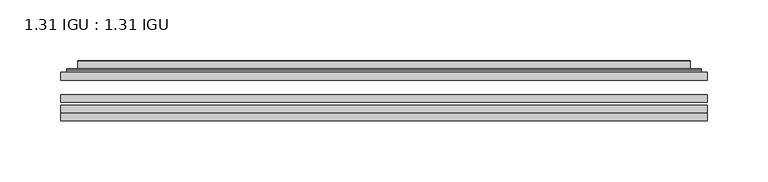
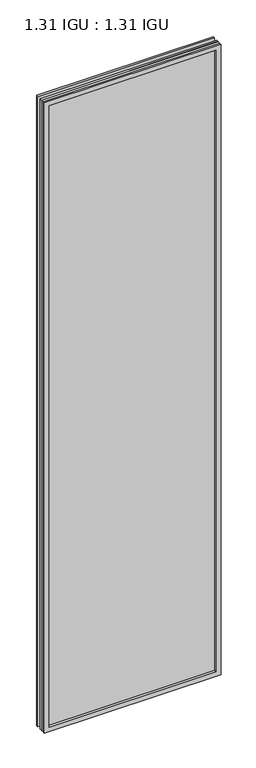
"""IFC4 building model written with IfcOpenShell, lengths in millimetres: plate geometry, 1.31 IGU : 1.31 IGU."""

from ifc_helpers import new_model, si_unit, frame, origin, place, context, project, spatial, polyline, ellipse_curve, outline, extrude, faceted_brep, source, transform, mapped, element, save
from ifc_brep_helpers import plane_surface, cylinder_surface, advanced_brep


def plate_1_31_igu_1_31_igu_39c43275(model_context):
    return source(origin(), model_context, "Body", "SolidModel", [
        extrude(outline(polyline([(266.714175, -63.59525), (266.714175, -69.94525), (-266.7, -69.94525), (-266.7, -63.59525), (266.714175, -63.59525)])), frame((0.0, 0.0, -14.2875), z_axis=(0.0, 0.0, 1.0), x_axis=(1.0, 0.0, 0.0)), (0.0, 0.0, 1.0), 2009.8015278),
        extrude(outline(polyline([(-266.7, -78.58125), (-266.7, -72.230745), (266.714175, -72.230745), (266.714175, -78.58125), (-266.7, -78.58125)])), frame((0.0, 0.0, -14.2875), z_axis=(0.0, 0.0, 1.0), x_axis=(1.0, 0.0, 0.0)), (0.0, 0.0, 1.0), 2009.8015278),
        extrude(outline(polyline([(266.714175, -45.25645), (266.714175, -51.60645), (-266.7, -51.60645), (-266.7, -45.25645), (266.714175, -45.25645)])), frame((0.0, 0.0, -14.2875), z_axis=(0.0, 0.0, 1.0), x_axis=(1.0, 0.0, 0.0)), (0.0, 0.0, 1.0), 2009.8015278),
        faceted_brep([(-266.7127, -84.93125, 1995.5229299), (-266.7127, -78.58125, 1995.5229299), (-266.7127, -78.58125, -14.3002), (-266.7127, -84.93125, -14.3002), (266.7127, -78.58125, -14.3002), (266.7127, -84.93125, -14.3002), (266.7127, -78.58125, 1995.5229299), (266.7127, -84.93125, 1995.5229299), (-251.5147559, -78.58125, 0.8977441), (251.5147559, -78.58125, 0.8977441), (251.5147559, -78.58125, 1980.3249858), (-251.5147559, -78.58125, 1980.3249858), (-252.4071902, -84.93125, 1981.2174201), (252.4071902, -84.93125, 1981.2174201), (252.4071902, -84.93125, 0.0053098), (-252.4071902, -84.93125, 0.0053098)], [[[0, 1, 2, 3]], [[3, 2, 4, 5]], [[5, 4, 6, 7]], [[1, 6, 4, 2], [8, 9, 10, 11]], [[7, 6, 1, 0]], [[3, 5, 7, 0], [12, 13, 14, 15]], [[11, 12, 15, 8]], [[8, 15, 14, 9]], [[9, 14, 13, 10]], [[10, 13, 12, 11]]]),
        advanced_brep(
        [(-259.458719, -45.25645, 1988.2689489), (-261.8129244, -43.2667833, 1990.6231543), (-261.8129244, -43.2667833, -9.4004244), (-259.458719, -45.25645, -7.046219), (-250.3843939, -41.416413, 1979.1946238), (-245.4495621, -45.25645, 1974.2597919), (-245.4495621, -45.25645, 6.9629379), (-250.3843939, -41.416413, 2.0281061), (-251.4164217, -36.0191819, 1980.2266515), (-251.4164217, -36.0191819, 0.9960783), (-252.4070784, -35.6202069, 1981.2173083), (-252.4070784, -35.6202069, 0.0054216), (-252.4070784, -42.08145, 1981.2173083), (-252.4070784, -42.08145, 0.0054216), (-260.8111349, -42.08145, 1989.6213648), (-260.8111349, -42.08145, -8.3986349), (261.8129244, -43.2667833, -9.4004244), (259.458719, -45.25645, -7.046219), (245.4495621, -45.25645, 6.9629379), (250.3843939, -41.416413, 2.0281061), (251.4164217, -36.0191819, 0.9960783), (252.4070784, -35.6202069, 0.0054216), (252.4070784, -42.08145, 0.0054216), (260.8111349, -42.08145, -8.3986349), (261.8129244, -43.2667833, 1990.6231543), (259.458719, -45.25645, 1988.2689489), (245.4495621, -45.25645, 1974.2597919), (250.3843939, -41.416413, 1979.1946238), (251.4164217, -36.0191819, 1980.2266515), (252.4070784, -35.6202069, 1981.2173083), (252.4070784, -42.08145, 1981.2173083), (260.8111349, -42.08145, 1989.6213648)],
        [
            (0, 1, ellipse_curve(frame((-259.458719, -42.86885, 1988.2689489), z_axis=(-0.7071067811865475, 0.0, -0.7071067811865475), x_axis=(-0.7071067811865474, 0.0, 0.7071067811865476)), 3.3765763, 2.3876)),
            (1, 2),
            (2, 3, ellipse_curve(frame((-259.458719, -42.86885, -7.046219), z_axis=(-0.7071067811865475, 0.0, 0.7071067811865475), x_axis=(0.7071067811865474, 0.0, 0.7071067811865476)), 3.3765763, 2.3876)),
            (3, 0),
            (4, 5),
            (5, 6),
            (6, 7),
            (7, 4),
            (8, 4),
            (7, 9),
            (9, 8),
            (10, 8, ellipse_curve(frame((-252.0401219, -36.1384423, 1980.8503517), z_axis=(-0.7071067811865475, 0.0, -0.7071067811865475), x_axis=(-0.7071067811865474, 0.0, 0.7071067811865476)), 0.8980256, 0.635)),
            (9, 11, ellipse_curve(frame((-252.0401219, -36.1384423, 0.3723781), z_axis=(-0.7071067811865475, 0.0, 0.7071067811865475), x_axis=(0.7071067811865474, 0.0, 0.7071067811865476)), 0.8980256, 0.635)),
            (11, 10),
            (12, 10),
            (11, 13),
            (13, 12),
            (1, 14, ellipse_curve(frame((-260.8111349, -43.09745, 1989.6213648), z_axis=(-0.7071067811865475, 0.0, -0.7071067811865475), x_axis=(-0.7071067811865474, 0.0, 0.7071067811865476)), 1.436841, 1.016)),
            (14, 15),
            (15, 2, ellipse_curve(frame((-260.8111349, -43.09745, -8.3986349), z_axis=(-0.7071067811865475, 0.0, 0.7071067811865475), x_axis=(0.7071067811865474, 0.0, 0.7071067811865476)), 1.436841, 1.016)),
            (2, 16),
            (16, 17, ellipse_curve(frame((259.458719, -42.86885, -7.046219), z_axis=(-0.7071067811865475, 0.0, -0.7071067811865475), x_axis=(-0.7071067811865476, 0.0, 0.7071067811865474)), 3.3765763, 2.3876)),
            (17, 3),
            (6, 18),
            (18, 19),
            (19, 7),
            (19, 20),
            (20, 9),
            (20, 21, ellipse_curve(frame((252.0401219, -36.1384423, 0.3723781), z_axis=(-0.7071067811865475, 0.0, -0.7071067811865475), x_axis=(-0.7071067811865476, 0.0, 0.7071067811865474)), 0.8980256, 0.635)),
            (21, 11),
            (21, 22),
            (22, 13),
            (15, 23),
            (23, 16, ellipse_curve(frame((260.8111349, -43.09745, -8.3986349), z_axis=(-0.7071067811865475, 0.0, -0.7071067811865475), x_axis=(-0.7071067811865476, 0.0, 0.7071067811865474)), 1.436841, 1.016)),
            (16, 24),
            (24, 25, ellipse_curve(frame((259.458719, -42.86885, 1988.2689489), z_axis=(0.7071067811865475, 0.0, -0.7071067811865475), x_axis=(-0.7071067811865474, 0.0, -0.7071067811865476)), 3.3765763, 2.3876)),
            (25, 17),
            (18, 26),
            (26, 27),
            (27, 19),
            (27, 28),
            (28, 20),
            (28, 29, ellipse_curve(frame((252.0401219, -36.1384423, 1980.8503517), z_axis=(0.7071067811865475, 0.0, -0.7071067811865475), x_axis=(-0.7071067811865474, 0.0, -0.7071067811865476)), 0.8980256, 0.635)),
            (29, 21),
            (29, 30),
            (30, 22),
            (23, 31),
            (31, 24, ellipse_curve(frame((260.8111349, -43.09745, 1989.6213648), z_axis=(0.7071067811865475, 0.0, -0.7071067811865475), x_axis=(-0.7071067811865474, 0.0, -0.7071067811865476)), 1.436841, 1.016)),
            (24, 1),
            (0, 25),
            (5, 26),
            (4, 27),
            (8, 28),
            (10, 29),
            (12, 30),
            (14, 31),
        ],
        [
            cylinder_surface(frame((-259.458719, -42.86885, 2012.9727299), z_axis=(0.0, 0.0, 1.0), x_axis=(-1.0, 0.0, 0.0)), 2.3876),
            plane_surface(frame((-245.4495621, -45.25645, 1974.2597919), z_axis=(0.6141233906514794, 0.7892100234124821, 0.0), x_axis=(0.0, 0.0, -1.0))),
            plane_surface(frame((-250.3843939, -41.416413, 1979.1946238), z_axis=(0.9822050625507729, 0.18781164793386076, 0.0), x_axis=(0.0, 0.0, -1.0))),
            cylinder_surface(frame((-252.0401219, -36.1384423, 2012.9727299), z_axis=(0.0, 0.0, 1.0), x_axis=(-1.0, 0.0, 0.0)), 0.635),
            plane_surface(frame((-252.4070784, -35.6202069, 1981.2173083), z_axis=(-1.0, 0.0, 0.0), x_axis=(0.0, 0.0, -1.0))),
            cylinder_surface(frame((-260.8111349, -43.09745, 2012.9727299), z_axis=(0.0, 0.0, 1.0), x_axis=(-1.0, 0.0, 0.0)), 1.016),
            cylinder_surface(frame((-284.1625, -42.86885, -7.046219), z_axis=(-1.0, 0.0, 0.0), x_axis=(0.0, 0.0, -1.0)), 2.3876),
            plane_surface(frame((-245.4495621, -45.25645, 6.9629379), z_axis=(0.0, 0.7892100234124841, 0.6141233906514768), x_axis=(1.0, 0.0, 0.0))),
            plane_surface(frame((-250.3843939, -41.416413, 2.0281061), z_axis=(0.0, 0.18781164793386393, 0.9822050625507723), x_axis=(1.0, 0.0, 0.0))),
            cylinder_surface(frame((-284.1625, -36.1384423, 0.3723781), z_axis=(-1.0, 0.0, 0.0), x_axis=(0.0, 0.0, -1.0)), 0.635),
            plane_surface(frame((-252.4070784, -35.6202069, 0.0054216), z_axis=(0.0, 0.0, -1.0), x_axis=(1.0, 0.0, 0.0))),
            cylinder_surface(frame((-284.1625, -43.09745, -8.3986349), z_axis=(-1.0, 0.0, 0.0), x_axis=(0.0, 0.0, -1.0)), 1.016),
            cylinder_surface(frame((259.458719, -42.86885, -31.75), z_axis=(0.0, 0.0, -1.0), x_axis=(1.0, 0.0, 0.0)), 2.3876),
            plane_surface(frame((245.4495621, -45.25645, 6.9629379), z_axis=(-0.6141233906514743, 0.7892100234124861, 0.0), x_axis=(0.0, 0.0, 1.0))),
            plane_surface(frame((250.3843939, -41.416413, 2.0281061), z_axis=(-0.9822050625507718, 0.1878116479338671, 0.0), x_axis=(0.0, 0.0, 1.0))),
            cylinder_surface(frame((252.0401219, -36.1384423, -31.75), z_axis=(0.0, 0.0, -1.0), x_axis=(1.0, 0.0, 0.0)), 0.635),
            plane_surface(frame((252.4070784, -35.6202069, 0.0054216), z_axis=(1.0, 0.0, 0.0), x_axis=(0.0, 0.0, 1.0))),
            cylinder_surface(frame((260.8111349, -43.09745, -31.75), z_axis=(0.0, 0.0, -1.0), x_axis=(1.0, 0.0, 0.0)), 1.016),
            cylinder_surface(frame((284.1625, -42.86885, 1988.2689489), z_axis=(1.0, 0.0, 0.0), x_axis=(0.0, 0.0, 1.0)), 2.3876),
            plane_surface(frame((259.458719, -45.25645, 1988.2689489), z_axis=(0.0, -1.0, 0.0), x_axis=(-1.0, 0.0, 0.0))),
            plane_surface(frame((245.4495621, -45.25645, 1974.2597919), z_axis=(0.0, 0.7892100234124841, -0.6141233906514768), x_axis=(-1.0, 0.0, 0.0))),
            plane_surface(frame((250.3843939, -41.416413, 1979.1946238), z_axis=(0.0, 0.18781164793386393, -0.9822050625507723), x_axis=(-1.0, 0.0, 0.0))),
            cylinder_surface(frame((284.1625, -36.1384423, 1980.8503517), z_axis=(1.0, 0.0, 0.0), x_axis=(0.0, 0.0, 1.0)), 0.635),
            plane_surface(frame((252.4070784, -35.6202069, 1981.2173083), z_axis=(0.0, 0.0, 1.0), x_axis=(-1.0, 0.0, 0.0))),
            plane_surface(frame((252.4070784, -42.08145, 1981.2173083), z_axis=(0.0, 1.0, 0.0), x_axis=(-1.0, 0.0, 0.0))),
            cylinder_surface(frame((284.1625, -43.09745, 1989.6213648), z_axis=(1.0, 0.0, 0.0), x_axis=(0.0, 0.0, 1.0)), 1.016),
        ],
        [
            (0, [[1, 2, 3, 4]]),
            (1, [[5, 6, 7, 8]]),
            (2, [[9, -8, 10, 11]]),
            (3, [[12, -11, 13, 14]]),
            (4, [[15, -14, 16, 17]]),
            (5, [[18, 19, 20, -2]]),
            (6, [[-3, 21, 22, 23]]),
            (7, [[-7, 24, 25, 26]]),
            (8, [[-10, -26, 27, 28]]),
            (9, [[-13, -28, 29, 30]]),
            (10, [[-16, -30, 31, 32]]),
            (11, [[-20, 33, 34, -21]]),
            (12, [[-22, 35, 36, 37]]),
            (13, [[-25, 38, 39, 40]]),
            (14, [[-27, -40, 41, 42]]),
            (15, [[-29, -42, 43, 44]]),
            (16, [[-31, -44, 45, 46]]),
            (17, [[-34, 47, 48, -35]]),
            (18, [[-36, 49, -1, 50]]),
            (19, [[-23, -37, -50, -4], [51, -38, -24, -6]]),
            (20, [[-39, -51, -5, 52]]),
            (21, [[-41, -52, -9, 53]]),
            (22, [[-43, -53, -12, 54]]),
            (23, [[-45, -54, -15, 55]]),
            (24, [[56, -47, -33, -19], [-32, -46, -55, -17]]),
            (25, [[-48, -56, -18, -49]]),
        ],
    ),
    ])


if __name__ == "__main__":
    model = new_model("IFC4")
    model_context = context("Model", 3, world=origin())
    ifc_project = project(units=[si_unit("LENGTHUNIT", "METRE", prefix="MILLI")], contexts=[model_context])
    site = spatial("IfcSite", under=ifc_project)
    building = spatial("IfcBuilding", under=site)
    placement = place(None, origin())
    plate_1_31_igu_1_31_igu_shape = plate_1_31_igu_1_31_igu_39c43275(model_context)
    element("IfcPlate", 1, ObjectType="1.31 IGU : 1.31 IGU", at=placement, inside=building, context=model_context, shape_type="MappedRepresentation", body=[
        mapped(plate_1_31_igu_1_31_igu_shape, transform((0.0, 0.0, 0.0), x_axis=(1.0, 0.0, 0.0), y_axis=(0.0, 1.0, 0.0), z_axis=(0.0, 0.0, 1.0))),
    ])
    save(model, "model.ifc")
